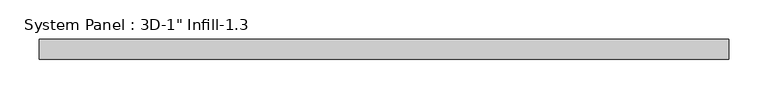
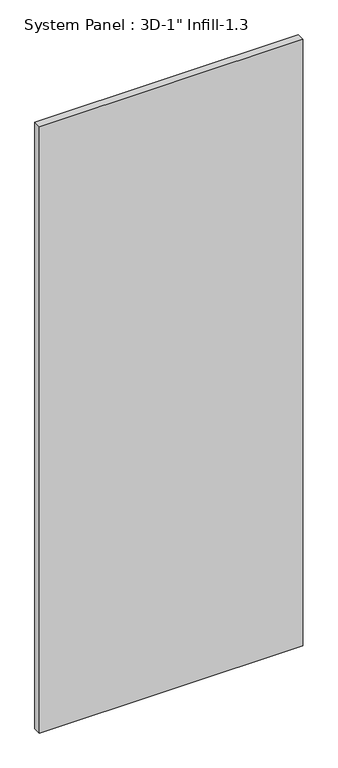
"""IFC4 building model written with IfcOpenShell, lengths in millimetres: plate geometry."""

import ifcopenshell
import ifcopenshell.guid

model = None  # the IFC model being written
_history = None  # IfcOwnerHistory: only IFC2X3 demands one
_inside = {}  # id of a spatial element -> (the spatial element, [elements in it])
_under = {}  # id of a project, library or spatial element -> (it, [spatial elements below it])
_declared = {}  # id of a project -> (the project, [libraries it declares])
_typed = {}  # id of a type object -> (the type object, [elements of that type])
_made_of = {}  # id of a material, layer set ... -> (it, [elements and type objects made of it])


def new_model(schema):
    """Start an empty IFC model of exactly this schema.

    Asked for "IFC4X3", IfcOpenShell would pick the latest addendum, in which some entities
    have other attributes; the version numbers below select the first issue.
    IFC2X3 requires an IfcOwnerHistory on every rooted entity: one is made here for all.
    """
    global model, _history
    if schema == "IFC4X3":
        model = ifcopenshell.file(schema_version=(4, 3, 0, 0))
    else:
        model = ifcopenshell.file(schema=schema)
    _inside.clear()
    _under.clear()
    _declared.clear()
    _typed.clear()
    _made_of.clear()
    _history = None
    if model.schema == "IFC2X3":
        org = make("IfcOrganization", Name="unknown")
        user = make(
            "IfcPersonAndOrganization",
            ThePerson=make("IfcPerson", FamilyName="unknown"),
            TheOrganization=org,
        )
        app = make(
            "IfcApplication",
            ApplicationDeveloper=org,
            Version="unknown",
            ApplicationFullName="unknown",
            ApplicationIdentifier="unknown",
        )
        _history = make(
            "IfcOwnerHistory",
            OwningUser=user,
            OwningApplication=app,
            ChangeAction="ADDED",
            CreationDate=0,
        )
    return model


def make(cls, **values):
    """One entity of the class cls with the attributes given. An attribute that is None is left unset."""
    return model.create_entity(
        cls, **{name: value for name, value in values.items() if value is not None}
    )


def rooted(cls, **values):
    """An entity with a GlobalId (a new one), such as an element, a storey or a relation."""
    return make(cls, GlobalId=ifcopenshell.guid.new(), OwnerHistory=_history, **values)


def si_unit(unit_type, name, prefix=None):
    """IfcSIUnit, for example si_unit("LENGTHUNIT", "METRE", prefix="MILLI")."""
    return make("IfcSIUnit", UnitType=unit_type, Prefix=prefix, Name=name)


def assignment(units):
    """IfcUnitAssignment: the units of a project."""
    return None if units is None else make("IfcUnitAssignment", Units=units)


def point(xyz):
    """IfcCartesianPoint."""
    return None if xyz is None else make("IfcCartesianPoint", Coordinates=xyz)


def direction(xyz):
    """IfcDirection."""
    return None if xyz is None else make("IfcDirection", DirectionRatios=xyz)


def frame(location, z_axis=None, x_axis=None):
    """IfcAxis2Placement3D, a coordinate frame: its origin and axes. An axis left out is left unset."""
    return make(
        "IfcAxis2Placement3D",
        Location=point(location),
        Axis=direction(z_axis),
        RefDirection=direction(x_axis),
    )


def origin():
    """The frame at (0, 0, 0) with its axes left unset."""
    return frame((0.0, 0.0, 0.0))


def origin_with_axes():
    """The frame at (0, 0, 0) with the z axis (0, 0, 1) and the x axis (1, 0, 0) written out."""
    return frame((0.0, 0.0, 0.0), z_axis=(0.0, 0.0, 1.0), x_axis=(1.0, 0.0, 0.0))


def place(relative_to, where):
    """IfcLocalPlacement: puts the frame where relative to a parent placement (None: the world)."""
    return make(
        "IfcLocalPlacement", PlacementRelTo=relative_to, RelativePlacement=where
    )


def context(
    kind, dimensions, precision=None, world=None, true_north=None, identifier=None
):
    """IfcGeometricRepresentationContext, for example the 3D "Model" context."""
    return make(
        "IfcGeometricRepresentationContext",
        ContextIdentifier=identifier,
        ContextType=kind,
        CoordinateSpaceDimension=dimensions,
        Precision=precision,
        WorldCoordinateSystem=world,
        TrueNorth=true_north,
    )


def project(units=None, contexts=None):
    """IfcProject with its units and contexts."""
    return rooted(
        "IfcProject",
        Name="project",
        RepresentationContexts=contexts,
        UnitsInContext=assignment(units),
    )


def spatial(cls, under=None, at=None, **own):
    """A site, building, storey or space (cls), placed at a placement, below another one or the project."""
    s = rooted(cls, ObjectPlacement=at, **own)
    if under is not None:
        _under.setdefault(under.id(), (under, []))[1].append(s)
    return s


def polyline(points):
    """IfcPolyline through the points."""
    return make("IfcPolyline", Points=[point(p) for p in points])


def outline(outer, holes=None, kind="AREA"):
    """IfcArbitraryClosedProfileDef: a profile drawn as a closed curve; with holes, ...WithVoids."""
    if holes is None:
        return make("IfcArbitraryClosedProfileDef", ProfileType=kind, OuterCurve=outer)
    return make(
        "IfcArbitraryProfileDefWithVoids",
        ProfileType=kind,
        OuterCurve=outer,
        InnerCurves=holes,
    )


def extrude(swept, where, along, depth):
    """IfcExtrudedAreaSolid: the profile swept, set in the frame where, extruded along a direction by depth."""
    return make(
        "IfcExtrudedAreaSolid",
        SweptArea=swept,
        Position=where,
        ExtrudedDirection=direction(along),
        Depth=depth,
    )


def shape(context_of_items, identifier, shape_type, items):
    """IfcShapeRepresentation: the items that make up one representation, for example the "Body"."""
    return make(
        "IfcShapeRepresentation",
        ContextOfItems=context_of_items,
        RepresentationIdentifier=identifier,
        RepresentationType=shape_type,
        Items=items,
    )


def source(mapping_origin, context_of_items, identifier, shape_type, items):
    """IfcRepresentationMap: a shape defined once, which mapped items show again and again."""
    return make(
        "IfcRepresentationMap",
        MappingOrigin=mapping_origin,
        MappedRepresentation=shape(context_of_items, identifier, shape_type, items),
    )


def transform(
    local_origin,
    x_axis=None,
    y_axis=None,
    z_axis=None,
    scale=None,
    scale2=None,
    scale3=None,
    uniform=True,
):
    """IfcCartesianTransformationOperator3D, or its non-uniform kind. x_axis, y_axis, z_axis: its Axis1, 2, 3."""
    if uniform:
        return make(
            "IfcCartesianTransformationOperator3D",
            Axis1=direction(x_axis),
            Axis2=direction(y_axis),
            LocalOrigin=point(local_origin),
            Scale=scale,
            Axis3=direction(z_axis),
        )
    return make(
        "IfcCartesianTransformationOperator3DnonUniform",
        Axis1=direction(x_axis),
        Axis2=direction(y_axis),
        LocalOrigin=point(local_origin),
        Scale=scale,
        Axis3=direction(z_axis),
        Scale2=scale2,
        Scale3=scale3,
    )


def mapped(mapping_source, mapping_target):
    """IfcMappedItem: shows the shape of a source again, moved by a transform."""
    return make(
        "IfcMappedItem", MappingSource=mapping_source, MappingTarget=mapping_target
    )


def made_of(thing, what):
    """Note that an element or type object is made of a material, layer set ...; save() writes the relation."""
    if what is not None:
        _made_of.setdefault(what.id(), (what, []))[1].append(thing)
    return thing


def element(
    cls,
    number,
    at=None,
    inside=None,
    cuts=None,
    type_object=None,
    material=None,
    context=None,
    identifier="Body",
    shape_type=None,
    held_by="IfcProductDefinitionShape",
    body=None,
    shapes=None,
    **own,
):
    """One element of the class cls, such as IfcWall. Its Tag is "e" and its number.

    at: its placement. inside: the storey or other place that contains it. cuts: it is an
    opening in that element (IfcRelVoidsElement). A single representation is given by context,
    identifier, shape_type and body (its items); several are given by shapes. held_by: the class
    of the entity that holds the representations. save() writes the other relations.
    """
    e = rooted(cls, Tag="e%d" % number, ObjectPlacement=at, **own)
    if body is not None:
        shapes = [shape(context, identifier, shape_type, body)]
    if shapes is not None:
        e.Representation = make(held_by, Representations=shapes)
    if inside is not None:
        _inside.setdefault(inside.id(), (inside, []))[1].append(e)
    if cuts is not None:
        rooted(
            "IfcRelVoidsElement", RelatingBuildingElement=cuts, RelatedOpeningElement=e
        )
    if type_object is not None:
        _typed.setdefault(type_object.id(), (type_object, []))[1].append(e)
    return made_of(e, material)


def aggregate(whole, parts):
    """IfcRelAggregates: a whole, such as a stair, and the parts it consists of."""
    return rooted("IfcRelAggregates", RelatingObject=whole, RelatedObjects=parts)


def save(model, path):
    """Write the relations noted so far, then the file.

    IfcRelAggregates (storeys below a building ...), IfcRelContainedInSpatialStructure (elements
    in a storey), IfcRelDefinesByType, IfcRelAssociatesMaterial and IfcRelDeclares: one each for
    every whole, place, type object, material and project.
    """
    for whole, parts in _under.values():
        aggregate(whole, parts)
    for where, things in _inside.values():
        rooted(
            "IfcRelContainedInSpatialStructure",
            RelatedElements=things,
            RelatingStructure=where,
        )
    for kind, things in _typed.values():
        rooted("IfcRelDefinesByType", RelatedObjects=things, RelatingType=kind)
    for what, things in _made_of.values():
        rooted("IfcRelAssociatesMaterial", RelatedObjects=things, RelatingMaterial=what)
    for by, libraries in _declared.values():
        rooted("IfcRelDeclares", RelatingContext=by, RelatedDefinitions=libraries)
    model.write(path)


def plate_782e67e3(model_context):
    return source(origin(), model_context, "Body", "SweptSolid", [
        extrude(outline(polyline([(438.9554823, -11.4101562), (-438.9554823, -11.4101562), (-438.9554823, 13.9898438), (438.9554823, 13.9898438), (438.9554823, -11.4101562)])), origin_with_axes(), (0.0, 0.0, 1.0), 2137.050144),
    ])


if __name__ == "__main__":
    model = new_model("IFC4")
    model_context = context("Model", 3, world=origin())
    ifc_project = project(units=[si_unit("LENGTHUNIT", "METRE", prefix="MILLI")], contexts=[model_context])
    site = spatial("IfcSite", under=ifc_project)
    building = spatial("IfcBuilding", under=site)
    placement = place(None, origin())
    plate_shape = plate_782e67e3(model_context)
    element("IfcPlate", 1, ObjectType="System Panel : 3D-1\" Infill-1.3", at=placement, inside=building, context=model_context, shape_type="MappedRepresentation", body=[
        mapped(plate_shape, transform((0.0, 0.0, 0.0), x_axis=(1.0, 0.0, 0.0), y_axis=(0.0, 1.0, 0.0), z_axis=(0.0, 0.0, 1.0))),
    ])
    save(model, "model.ifc")
